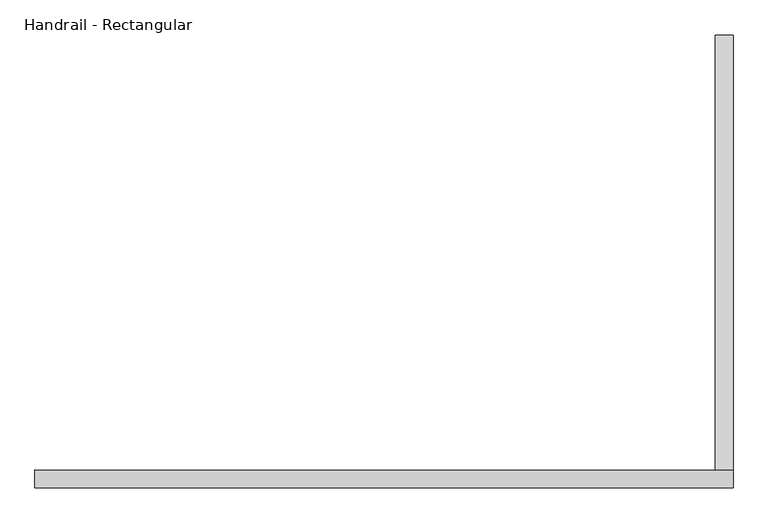
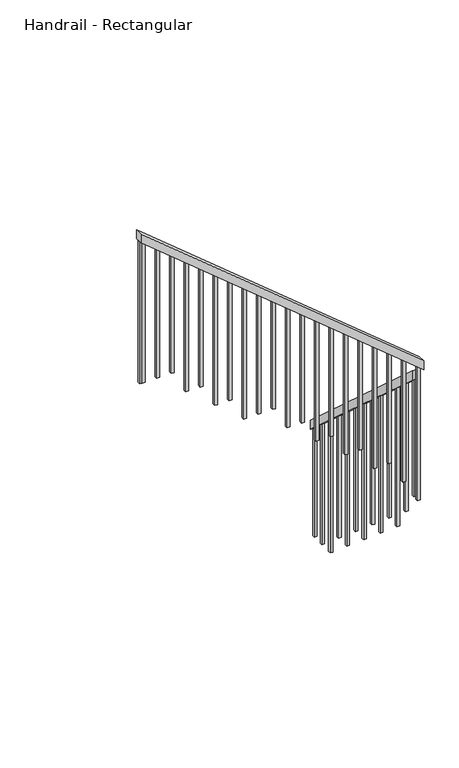
"""IFC4 building model written with IfcOpenShell, lengths in millimetres: railing geometry, Handrail - Rectangular."""

from ifc_helpers import new_model, si_unit, frame, origin, place, context, project, spatial, polyline, outline, extrude, source, transform, mapped, element, save


def handrail_rectangular_880a1b96(model_context):
    return source(origin(), model_context, "Body", "SweptSolid", [
        extrude(outline(polyline([(-448.2792994, -1717.131192), (-448.2792994, -1785.5138388), (-1686.2766333, -669.9237785), (-1686.2766333, -601.5411317), (-448.2792994, -1717.131192)])), frame((62337.2675535, 0.0, 0.0), z_axis=(1.0, 0.0, 0.0), x_axis=(0.0, 1.0, 0.0)), (0.0, 0.0, 1.0), 50.8),
        extrude(outline(polyline([(-580.4672417, 62388.0675535), (-514.6485047, 62388.0675535), (1120.3572905, 60403.4257484), (1054.5385535, 60403.4257484), (-580.4672417, 62388.0675535)])), frame((0.0, -1737.0766333, 0.0), z_axis=(0.0, 1.0, 0.0), x_axis=(0.0, 0.0, 1.0)), (0.0, 0.0, 1.0), 50.8),
        extrude(outline(polyline([(1022.9308606, 60441.7925535), (1038.6248061, 60422.7425535), (0.0, 60422.7425535), (0.0, 60441.7925535), (1022.9308606, 60441.7925535)])), frame((0.0, -1721.2016333, 0.0), z_axis=(0.0, 1.0, 0.0), x_axis=(0.0, 0.0, 1.0)), (0.0, 0.0, 1.0), 19.05),
        extrude(outline(polyline([(939.2298177, 60543.3925535), (954.9237633, 60524.3425535), (0.0, 60524.3425535), (0.0, 60543.3925535), (939.2298177, 60543.3925535)])), frame((0.0, -1721.2016333, 0.0), z_axis=(0.0, 1.0, 0.0), x_axis=(0.0, 0.0, 1.0)), (0.0, 0.0, 1.0), 19.05),
        extrude(outline(polyline([(855.5287749, 60644.9925535), (871.2227204, 60625.9425535), (0.0, 60625.9425535), (0.0, 60644.9925535), (855.5287749, 60644.9925535)])), frame((0.0, -1721.2016333, 0.0), z_axis=(0.0, 1.0, 0.0), x_axis=(0.0, 0.0, 1.0)), (0.0, 0.0, 1.0), 19.05),
        extrude(outline(polyline([(771.827732, 60746.5925535), (787.5216775, 60727.5425535), (-171.875, 60727.5425535), (-171.875, 60746.5925535), (771.827732, 60746.5925535)])), frame((0.0, -1721.2016333, 0.0), z_axis=(0.0, 1.0, 0.0), x_axis=(0.0, 0.0, 1.0)), (0.0, 0.0, 1.0), 19.05),
        extrude(outline(polyline([(688.1266891, 60848.1925535), (703.8206347, 60829.1425535), (-171.875, 60829.1425535), (-171.875, 60848.1925535), (688.1266891, 60848.1925535)])), frame((0.0, -1721.2016333, 0.0), z_axis=(0.0, 1.0, 0.0), x_axis=(0.0, 0.0, 1.0)), (0.0, 0.0, 1.0), 19.05),
        extrude(outline(polyline([(604.4256463, 60949.7925535), (620.1195918, 60930.7425535), (-343.75, 60930.7425535), (-343.75, 60949.7925535), (604.4256463, 60949.7925535)])), frame((0.0, -1721.2016333, 0.0), z_axis=(0.0, 1.0, 0.0), x_axis=(0.0, 0.0, 1.0)), (0.0, 0.0, 1.0), 19.05),
        extrude(outline(polyline([(520.7246034, 61051.3925535), (536.418549, 61032.3425535), (-343.75, 61032.3425535), (-343.75, 61051.3925535), (520.7246034, 61051.3925535)])), frame((0.0, -1721.2016333, 0.0), z_axis=(0.0, 1.0, 0.0), x_axis=(0.0, 0.0, 1.0)), (0.0, 0.0, 1.0), 19.05),
        extrude(outline(polyline([(437.0235606, 61152.9925535), (452.7175061, 61133.9425535), (-515.625, 61133.9425535), (-515.625, 61152.9925535), (437.0235606, 61152.9925535)])), frame((0.0, -1721.2016333, 0.0), z_axis=(0.0, 1.0, 0.0), x_axis=(0.0, 0.0, 1.0)), (0.0, 0.0, 1.0), 19.05),
        extrude(outline(polyline([(353.3225177, 61254.5925535), (369.0164632, 61235.5425535), (-515.625, 61235.5425535), (-515.625, 61254.5925535), (353.3225177, 61254.5925535)])), frame((0.0, -1721.2016333, 0.0), z_axis=(0.0, 1.0, 0.0), x_axis=(0.0, 0.0, 1.0)), (0.0, 0.0, 1.0), 19.05),
        extrude(outline(polyline([(269.6214748, 61356.1925535), (285.3154204, 61337.1425535), (-515.625, 61337.1425535), (-515.625, 61356.1925535), (269.6214748, 61356.1925535)])), frame((0.0, -1721.2016333, 0.0), z_axis=(0.0, 1.0, 0.0), x_axis=(0.0, 0.0, 1.0)), (0.0, 0.0, 1.0), 19.05),
        extrude(outline(polyline([(185.920432, 61457.7925535), (201.6143775, 61438.7425535), (-687.5, 61438.7425535), (-687.5, 61457.7925535), (185.920432, 61457.7925535)])), frame((0.0, -1721.2016333, 0.0), z_axis=(0.0, 1.0, 0.0), x_axis=(0.0, 0.0, 1.0)), (0.0, 0.0, 1.0), 19.05),
        extrude(outline(polyline([(102.2193891, 61559.3925535), (117.9133347, 61540.3425535), (-687.5, 61540.3425535), (-687.5, 61559.3925535), (102.2193891, 61559.3925535)])), frame((0.0, -1721.2016333, 0.0), z_axis=(0.0, 1.0, 0.0), x_axis=(0.0, 0.0, 1.0)), (0.0, 0.0, 1.0), 19.05),
        extrude(outline(polyline([(18.5183463, 61660.9925535), (34.2122918, 61641.9425535), (-859.375, 61641.9425535), (-859.375, 61660.9925535), (18.5183463, 61660.9925535)])), frame((0.0, -1721.2016333, 0.0), z_axis=(0.0, 1.0, 0.0), x_axis=(0.0, 0.0, 1.0)), (0.0, 0.0, 1.0), 19.05),
        extrude(outline(polyline([(-65.1826966, 61762.5925535), (-49.4887511, 61743.5425535), (-859.375, 61743.5425535), (-859.375, 61762.5925535), (-65.1826966, 61762.5925535)])), frame((0.0, -1721.2016333, 0.0), z_axis=(0.0, 1.0, 0.0), x_axis=(0.0, 0.0, 1.0)), (0.0, 0.0, 1.0), 19.05),
        extrude(outline(polyline([(-148.8837395, 61864.1925535), (-133.1897939, 61845.1425535), (-1031.25, 61845.1425535), (-1031.25, 61864.1925535), (-148.8837395, 61864.1925535)])), frame((0.0, -1721.2016333, 0.0), z_axis=(0.0, 1.0, 0.0), x_axis=(0.0, 0.0, 1.0)), (0.0, 0.0, 1.0), 19.05),
        extrude(outline(polyline([(-232.5847823, 61965.7925535), (-216.8908368, 61946.7425535), (-1031.25, 61946.7425535), (-1031.25, 61965.7925535), (-232.5847823, 61965.7925535)])), frame((0.0, -1721.2016333, 0.0), z_axis=(0.0, 1.0, 0.0), x_axis=(0.0, 0.0, 1.0)), (0.0, 0.0, 1.0), 19.05),
        extrude(outline(polyline([(-316.2858252, 62067.3925535), (-300.5918796, 62048.3425535), (-1203.125, 62048.3425535), (-1203.125, 62067.3925535), (-316.2858252, 62067.3925535)])), frame((0.0, -1721.2016333, 0.0), z_axis=(0.0, 1.0, 0.0), x_axis=(0.0, 0.0, 1.0)), (0.0, 0.0, 1.0), 19.05),
        extrude(outline(polyline([(-399.986868, 62168.9925535), (-384.2929225, 62149.9425535), (-1203.125, 62149.9425535), (-1203.125, 62168.9925535), (-399.986868, 62168.9925535)])), frame((0.0, -1721.2016333, 0.0), z_axis=(0.0, 1.0, 0.0), x_axis=(0.0, 0.0, 1.0)), (0.0, 0.0, 1.0), 19.05),
        extrude(outline(polyline([(-483.6879109, 62270.5925535), (-467.9939654, 62251.5425535), (-1375.0, 62251.5425535), (-1375.0, 62270.5925535), (-483.6879109, 62270.5925535)])), frame((0.0, -1721.2016333, 0.0), z_axis=(0.0, 1.0, 0.0), x_axis=(0.0, 0.0, 1.0)), (0.0, 0.0, 1.0), 19.05),
        extrude(outline(polyline([(-1677.0042994, -678.2793083), (-1657.9542994, -695.4457351), (-1657.9542994, -1546.875), (-1677.0042994, -1546.875), (-1677.0042994, -678.2793083)])), frame((62353.1425535, 0.0, 0.0), z_axis=(1.0, 0.0, 0.0), x_axis=(0.0, 1.0, 0.0)), (0.0, 0.0, 1.0), 19.05),
        extrude(outline(polyline([(-1575.4042994, -769.8335847), (-1556.3542994, -787.0000115), (-1556.3542994, -1718.75), (-1575.4042994, -1718.75), (-1575.4042994, -769.8335847)])), frame((62353.1425535, 0.0, 0.0), z_axis=(1.0, 0.0, 0.0), x_axis=(0.0, 1.0, 0.0)), (0.0, 0.0, 1.0), 19.05),
        extrude(outline(polyline([(-1473.8042994, -861.3878611), (-1454.7542994, -878.5542879), (-1454.7542994, -1890.625), (-1473.8042994, -1890.625), (-1473.8042994, -861.3878611)])), frame((62353.1425535, 0.0, 0.0), z_axis=(1.0, 0.0, 0.0), x_axis=(0.0, 1.0, 0.0)), (0.0, 0.0, 1.0), 19.05),
        extrude(outline(polyline([(-1372.2042994, -952.9421375), (-1353.1542994, -970.1085644), (-1353.1542994, -1890.625), (-1372.2042994, -1890.625), (-1372.2042994, -952.9421375)])), frame((62353.1425535, 0.0, 0.0), z_axis=(1.0, 0.0, 0.0), x_axis=(0.0, 1.0, 0.0)), (0.0, 0.0, 1.0), 19.05),
        extrude(outline(polyline([(-1270.6042994, -1044.496414), (-1251.5542994, -1061.6628408), (-1251.5542994, -2062.5), (-1270.6042994, -2062.5), (-1270.6042994, -1044.496414)])), frame((62353.1425535, 0.0, 0.0), z_axis=(1.0, 0.0, 0.0), x_axis=(0.0, 1.0, 0.0)), (0.0, 0.0, 1.0), 19.05),
        extrude(outline(polyline([(-1169.0042994, -1136.0506904), (-1149.9542994, -1153.2171172), (-1149.9542994, -2062.5), (-1169.0042994, -2062.5), (-1169.0042994, -1136.0506904)])), frame((62353.1425535, 0.0, 0.0), z_axis=(1.0, 0.0, 0.0), x_axis=(0.0, 1.0, 0.0)), (0.0, 0.0, 1.0), 19.05),
        extrude(outline(polyline([(-1067.4042994, -1227.6049668), (-1048.3542994, -1244.7713936), (-1048.3542994, -2234.375), (-1067.4042994, -2234.375), (-1067.4042994, -1227.6049668)])), frame((62353.1425535, 0.0, 0.0), z_axis=(1.0, 0.0, 0.0), x_axis=(0.0, 1.0, 0.0)), (0.0, 0.0, 1.0), 19.05),
        extrude(outline(polyline([(-965.8042994, -1319.1592432), (-946.7542994, -1336.3256701), (-946.7542994, -2234.375), (-965.8042994, -2234.375), (-965.8042994, -1319.1592432)])), frame((62353.1425535, 0.0, 0.0), z_axis=(1.0, 0.0, 0.0), x_axis=(0.0, 1.0, 0.0)), (0.0, 0.0, 1.0), 19.05),
        extrude(outline(polyline([(-864.2042994, -1410.7135197), (-845.1542994, -1427.8799465), (-845.1542994, -2406.25), (-864.2042994, -2406.25), (-864.2042994, -1410.7135197)])), frame((62353.1425535, 0.0, 0.0), z_axis=(1.0, 0.0, 0.0), x_axis=(0.0, 1.0, 0.0)), (0.0, 0.0, 1.0), 19.05),
        extrude(outline(polyline([(-762.6042994, -1502.2677961), (-743.5542994, -1519.4342229), (-743.5542994, -2406.25), (-762.6042994, -2406.25), (-762.6042994, -1502.2677961)])), frame((62353.1425535, 0.0, 0.0), z_axis=(1.0, 0.0, 0.0), x_axis=(0.0, 1.0, 0.0)), (0.0, 0.0, 1.0), 19.05),
        extrude(outline(polyline([(-661.0042994, -1593.8220725), (-641.9542994, -1610.9884994), (-641.9542994, -2578.125), (-661.0042994, -2578.125), (-661.0042994, -1593.8220725)])), frame((62353.1425535, 0.0, 0.0), z_axis=(1.0, 0.0, 0.0), x_axis=(0.0, 1.0, 0.0)), (0.0, 0.0, 1.0), 19.05),
        extrude(outline(polyline([(-559.4042994, -1685.3763489), (-540.3542994, -1702.5427758), (-540.3542994, -2578.125), (-559.4042994, -2578.125), (-559.4042994, -1685.3763489)])), frame((62353.1425535, 0.0, 0.0), z_axis=(1.0, 0.0, 0.0), x_axis=(0.0, 1.0, 0.0)), (0.0, 0.0, 1.0), 19.05),
        extrude(outline(polyline([(-567.3889538, 62372.1925535), (-551.6950082, 62353.1425535), (-1546.875, 62353.1425535), (-1546.875, 62372.1925535), (-567.3889538, 62372.1925535)])), frame((0.0, -1721.2016333, 0.0), z_axis=(0.0, 1.0, 0.0), x_axis=(0.0, 0.0, 1.0)), (0.0, 0.0, 1.0), 19.05),
        extrude(outline(polyline([(1038.8446079, 60422.4757484), (1054.5385535, 60403.4257484), (0.0, 60403.4257484), (0.0, 60422.4757484), (1038.8446079, 60422.4757484)])), frame((0.0, -1721.2016333, 0.0), z_axis=(0.0, 1.0, 0.0), x_axis=(0.0, 0.0, 1.0)), (0.0, 0.0, 1.0), 19.05),
        extrude(outline(polyline([(-467.3292994, -1768.347412), (-448.2792994, -1785.5138388), (-448.2792994, -2578.125), (-467.3292994, -2578.125), (-467.3292994, -1768.347412)])), frame((62353.1425535, 0.0, 0.0), z_axis=(1.0, 0.0, 0.0), x_axis=(0.0, 1.0, 0.0)), (0.0, 0.0, 1.0), 19.05),
    ])


if __name__ == "__main__":
    model = new_model("IFC4")
    model_context = context("Model", 3, world=origin())
    ifc_project = project(units=[si_unit("LENGTHUNIT", "METRE", prefix="MILLI")], contexts=[model_context])
    site = spatial("IfcSite", under=ifc_project)
    building = spatial("IfcBuilding", under=site)
    placement = place(None, origin())
    handrail_rectangular_shape = handrail_rectangular_880a1b96(model_context)
    element("IfcRailing", 1, ObjectType="Handrail - Rectangular", at=placement, inside=building, context=model_context, shape_type="MappedRepresentation", body=[
        mapped(handrail_rectangular_shape, transform((0.0, 0.0, 0.0), x_axis=(1.0, 0.0, 0.0), y_axis=(0.0, 1.0, 0.0), z_axis=(0.0, 0.0, 1.0))),
    ])
    save(model, "model.ifc")
